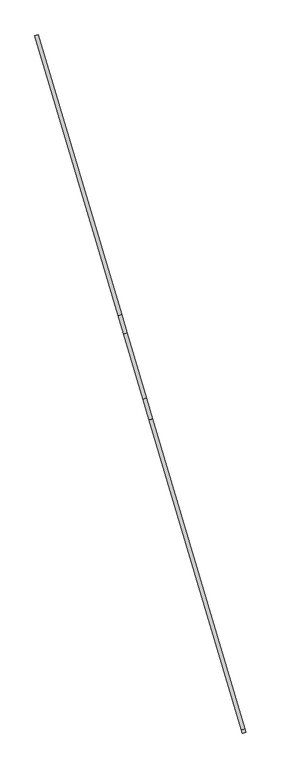
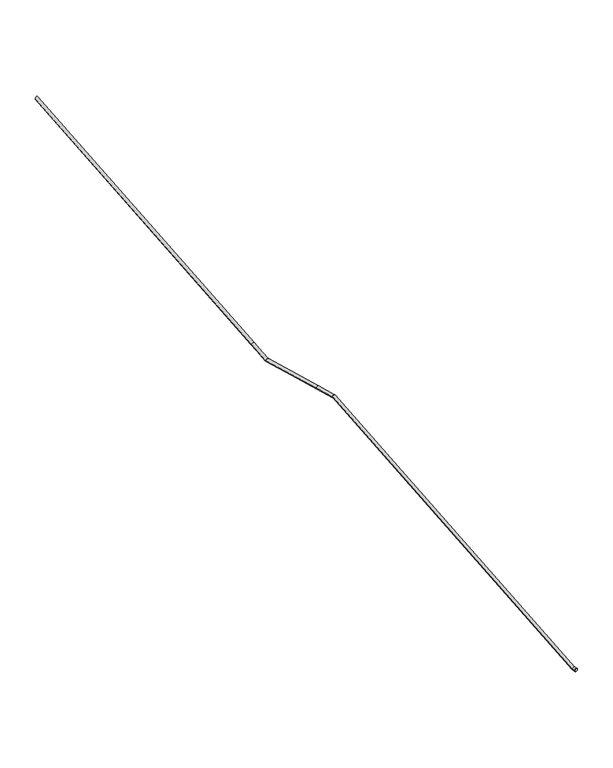
"""IFC4 building model written with IfcOpenShell, lengths in millimetres: railing geometry."""

from ifc_helpers import new_model, si_unit, frame, origin, place, context, project, spatial, circle_curve, ellipse_curve, source, transform, mapped, element, save
from ifc_brep_helpers import plane_surface, cylinder_surface, advanced_brep


def railing_3f254339(model_context):
    return source(origin(), model_context, "Body", "AdvancedBrep", [
        advanced_brep(
        [(74382.1822458, -17882.444861, -1660.6650309), (74343.8532509, -17893.885497, -1660.6650309), (75270.5447677, -20998.5340814, -3365.3423646), (75308.8737626, -20987.0934454, -3365.3423646), (76698.9110378, -25644.0663221, -5374.75), (76660.5820429, -25655.5069581, -5374.75), (76687.2436413, -25604.977623, -5374.75), (76648.9146465, -25616.418259, -5374.75), (75657.5651594, -22155.2969218, -3480.625), (75619.2361645, -22166.7375578, -3480.625), (75589.1693448, -21926.1538197, -3480.625), (75550.84035, -21937.5944557, -3480.625), (75371.5433588, -21197.0522826, -3480.625), (75333.214364, -21208.4929186, -3480.625)],
        [
            (0, 1, ellipse_curve(frame((74363.0177483, -17888.165179, -1660.6650309), z_axis=(-0.2860159002477166, 0.9582248717318332, 0.0), x_axis=(0.0, 0.0, -0.9999999999999999)), 22.5992745, 20.0)),
            (1, 0, ellipse_curve(frame((74363.0177483, -17888.165179, -1660.6650309), z_axis=(-0.2860159002477166, 0.9582248717318332, 0.0), x_axis=(0.0, 0.0, -0.9999999999999999)), 22.5992745, 20.0)),
            (2, 3, circle_curve(frame((75289.7092651, -20992.8137634, -3365.3423646), z_axis=(-0.25311954204155984, 0.8480138359284468, 0.4656211244247755), x_axis=(-0.958224871731834, -0.286015900247714, 0.0)), 20.0)),
            (3, 0),
            (1, 2),
            (3, 2, circle_curve(frame((75289.7092651, -20992.8137634, -3365.3423646), z_axis=(-0.25311954204155984, 0.8480138359284468, 0.4656211244247755), x_axis=(-0.958224871731834, -0.286015900247714, 0.0)), 20.0)),
            (4, 5, circle_curve(frame((76679.7465404, -25649.7866401, -5374.75), z_axis=(0.2860159002477007, -0.9582248717318381, 0.0), x_axis=(-0.9582248717318381, -0.2860159002477007, 0.0)), 20.0)),
            (5, 4, circle_curve(frame((76679.7465404, -25649.7866401, -5374.75), z_axis=(0.2860159002477007, -0.9582248717318381, 0.0), x_axis=(-0.9582248717318381, -0.2860159002477007, 0.0)), 20.0)),
            (4, 6),
            (6, 7, ellipse_curve(frame((76668.0791439, -25610.697941, -5374.75), z_axis=(0.2776700459914699, -0.9302641705356745, -0.2398080869709542), x_axis=(0.06858892588164399, -0.22979007337800927, 0.970820313664342)), 20.6011346, 20.0)),
            (7, 5),
            (7, 6, ellipse_curve(frame((76668.0791439, -25610.697941, -5374.75), z_axis=(0.2776700459914699, -0.9302641705356745, -0.2398080869709542), x_axis=(0.06858892588164399, -0.22979007337800927, 0.970820313664342)), 20.6011346, 20.0)),
            (6, 8),
            (8, 9, ellipse_curve(frame((75638.4006619, -22161.0172398, -3480.625), z_axis=(0.27767004599148004, -0.9302641705356715, -0.2398080869709541), x_axis=(-0.06858892588168518, 0.22979007337799764, -0.970820313664342)), 20.6011346, 20.0)),
            (9, 7),
            (9, 8, ellipse_curve(frame((75638.4006619, -22161.0172398, -3480.625), z_axis=(0.27767004599148004, -0.9302641705356715, -0.2398080869709541), x_axis=(-0.06858892588168518, 0.22979007337799764, -0.970820313664342)), 20.6011346, 20.0)),
            (8, 10),
            (10, 11, circle_curve(frame((75570.0048474, -21931.8741377, -3480.625), z_axis=(0.28601590024772044, -0.9582248717318321, 0.0), x_axis=(-0.9582248717318321, -0.28601590024772044, 0.0)), 20.0)),
            (11, 9),
            (11, 10, circle_curve(frame((75570.0048474, -21931.8741377, -3480.625), z_axis=(0.28601590024772044, -0.9582248717318321, 0.0), x_axis=(-0.9582248717318321, -0.28601590024772044, 0.0)), 20.0)),
            (10, 12),
            (12, 13, ellipse_curve(frame((75352.3788614, -21202.7726006, -3480.625), z_axis=(0.2776700459914762, -0.9302641705356728, -0.2398080869709536), x_axis=(0.06858892588168532, -0.2297900733779953, 0.9708203136643424)), 20.6011346, 20.0)),
            (13, 11),
            (13, 12, ellipse_curve(frame((75352.3788614, -21202.7726006, -3480.625), z_axis=(0.2776700459914762, -0.9302641705356728, -0.2398080869709536), x_axis=(0.06858892588168532, -0.2297900733779953, 0.9708203136643424)), 20.6011346, 20.0)),
            (12, 3),
            (2, 13),
        ],
        [
            plane_surface(frame((74363.0177483, -17888.165179, -1660.6650309), z_axis=(-0.2860159002477166, 0.9582248717318332, 0.0), x_axis=(0.9582248717318332, 0.2860159002477166, 0.0))),
            cylinder_surface(frame((75289.7092651, -20992.8137634, -3365.3423646), z_axis=(0.25311954204155984, -0.8480138359284468, -0.4656211244247755), x_axis=(-0.958224871731834, -0.286015900247714, 0.0)), 20.0),
            plane_surface(frame((76679.7465404, -25649.7866401, -5374.75), z_axis=(0.2860159002477007, -0.958224871731838, 0.0), x_axis=(0.958224871731838, 0.2860159002477007, 0.0))),
            cylinder_surface(frame((76679.7465404, -25649.7866401, -5374.75), z_axis=(0.2860159002477007, -0.9582248717318381, 0.0), x_axis=(-0.9582248717318381, -0.2860159002477007, 0.0)), 20.0),
            cylinder_surface(frame((76668.0791439, -25610.697941, -5374.75), z_axis=(0.2531195420415614, -0.8480138359284466, -0.4656211244247751), x_axis=(-0.9582248717318333, -0.2860159002477161, 0.0)), 20.0),
            cylinder_surface(frame((75638.4006619, -22161.0172398, -3480.625), z_axis=(0.28601590024772044, -0.9582248717318321, 0.0), x_axis=(-0.9582248717318321, -0.28601590024772044, 0.0)), 20.0),
            cylinder_surface(frame((75570.0048474, -21931.8741377, -3480.625), z_axis=(0.2860159002477168, -0.9582248717318332, 0.0), x_axis=(-0.9582248717318332, -0.2860159002477168, 0.0)), 20.0),
            cylinder_surface(frame((75352.3788614, -21202.7726006, -3480.625), z_axis=(0.25311954204155757, -0.8480138359284483, -0.4656211244247741), x_axis=(-0.9582248717318347, -0.2860159002477118, 0.0)), 20.0),
        ],
        [
            (0, [[1, 2]]),
            (1, [[3, 4, -2, 5]]),
            (1, [[6, -5, -1, -4]]),
            (2, [[7, 8]]),
            (3, [[-7, 9, 10, 11]]),
            (3, [[-8, -11, 12, -9]]),
            (4, [[-10, 13, 14, 15]]),
            (4, [[-12, -15, 16, -13]]),
            (5, [[-14, 17, 18, 19]]),
            (5, [[-16, -19, 20, -17]]),
            (6, [[-18, 21, 22, 23]]),
            (6, [[-20, -23, 24, -21]]),
            (7, [[-22, 25, -3, 26]]),
            (7, [[-24, -26, -6, -25]]),
        ],
    ),
    ])


if __name__ == "__main__":
    model = new_model("IFC4")
    model_context = context("Model", 3, world=origin())
    ifc_project = project(units=[si_unit("LENGTHUNIT", "METRE", prefix="MILLI")], contexts=[model_context])
    site = spatial("IfcSite", under=ifc_project)
    building = spatial("IfcBuilding", under=site)
    placement = place(None, origin())
    railing_shape = railing_3f254339(model_context)
    element("IfcRailing", 1, at=placement, inside=building, context=model_context, shape_type="MappedRepresentation", body=[
        mapped(railing_shape, transform((0.0, 0.0, 0.0), x_axis=(1.0, 0.0, 0.0), y_axis=(0.0, 1.0, 0.0), z_axis=(0.0, 0.0, 1.0))),
    ])
    save(model, "model.ifc")
